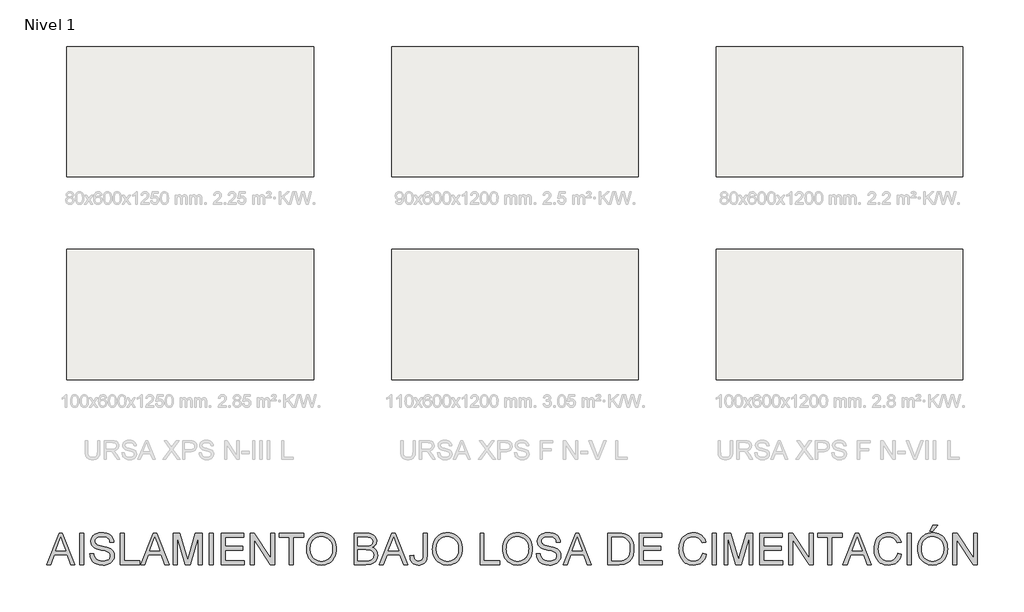
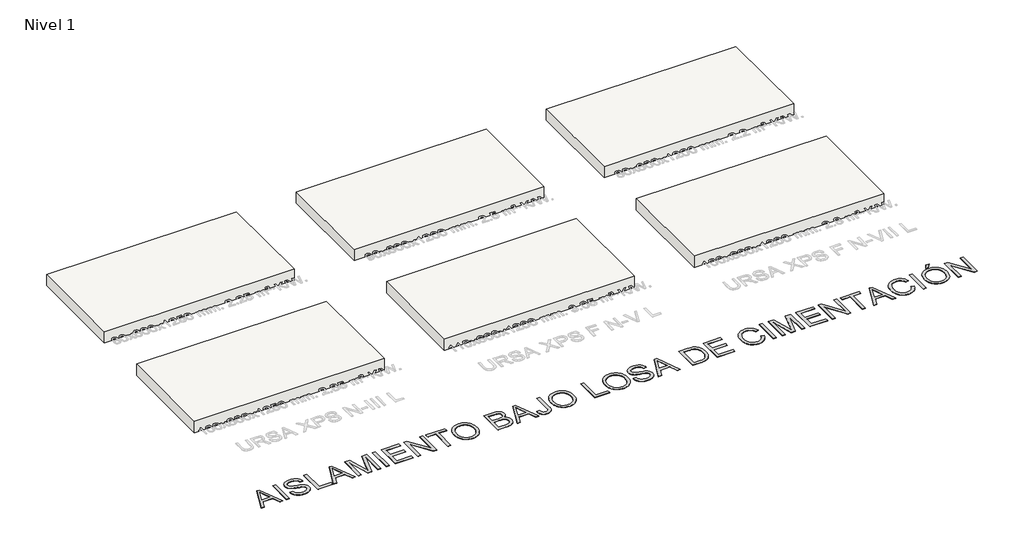
# One storey, part 1 of 10: 6 slabs, 1 proxy.
"""IFC4 building model written with IfcOpenShell, lengths in millimetres."""

from ifc_helpers import new_model, si_unit, frame, origin, origin_with_axes, place, context, project, spatial, polyline, outline, extrude, element, save

model = new_model("IFC4")

# Units and contexts
model_context = context("Model", 3, world=origin())
ifc_project = project(units=[si_unit("LENGTHUNIT", "METRE", prefix="MILLI")], contexts=[model_context])

# Site, building, storey
site = spatial("IfcSite", under=ifc_project)
building = spatial("IfcBuilding", under=site)
storey = spatial("IfcBuildingStorey", under=building, Name="Nivel 1", Elevation=0.0)

# Proxy
placement = place(None, origin())
element("IfcBuildingElementProxy", 1, Name="Texto de modelo 2", ObjectType="Texto de modelo 2", at=placement, inside=storey, context=model_context, shape_type="SweptSolid", body=[
    extrude(outline(polyline([(-30709.7134253, -17648.0311396), (-30308.7220506, -16643.4680381), (-30201.7910173, -16643.4680381), (-29800.7996425, -17648.0311396), (-29933.4824155, -17648.0311396), (-30048.5068526, -17334.1051704), (-30462.2514699, -17334.1051704), (-30577.0306524, -17648.0311396), (-30709.7134253, -17648.0311396)]), holes=[polyline([(-30416.1435931, -17208.5347827), (-30094.3694747, -17208.5347827), (-30184.8684455, -16961.5633366), (-30255.2565339, -16769.0384258), (-30317.7964731, -16939.9809262), (-30416.1435931, -17208.5347827)])]), origin_with_axes(), (0.0, 0.0, 1.0), 10.0),
    extrude(outline(polyline([(-29650.9490432, -17648.0311396), (-29650.9490432, -16643.4680381), (-29525.3786555, -16643.4680381), (-29525.3786555, -17648.0311396), (-29650.9490432, -17648.0311396)])), origin_with_axes(), (0.0, 0.0, 1.0), 10.0),
    extrude(outline(polyline([(-29321.3267755, -17302.7125735), (-29195.7563878, -17302.7125735), (-29190.0082316, -17339.2631825), (-29181.3476763, -17372.3955547), (-29169.7747219, -17402.10969), (-29155.2893683, -17428.4055885), (-29137.1558517, -17451.8120804), (-29114.6384079, -17472.8579962), (-29087.737037, -17491.5433359), (-29056.451739, -17507.8680994), (-29021.9321451, -17521.1195155), (-28985.3278866, -17530.5848126), (-28946.6389634, -17536.2639909), (-28905.8653756, -17538.1570504), (-28835.9064829, -17532.4242226), (-28804.1919892, -17525.2581879), (-28774.6541307, -17515.2257393), (-28748.0210071, -17502.6870947), (-28725.0207182, -17488.0024717), (-28705.6532639, -17471.1718704), (-28689.9186444, -17452.1952908), (-28677.7402176, -17431.8928032), (-28669.0413412, -17411.0844779), (-28663.8220154, -17389.7703148), (-28662.0822401, -17367.9503139), (-28667.2939017, -17325.919796), (-28682.9288865, -17289.591449), (-28696.0806679, -17273.4736191), (-28714.6893655, -17258.5973909), (-28738.7549793, -17244.9627644), (-28768.2775094, -17232.5697397), (-28834.588239, -17212.8573961), (-28951.114861, -17184.622453), (-29071.1363619, -17152.8926309), (-29114.937312, -17137.6025355), (-29147.9317284, -17122.6956505), (-29181.4626395, -17102.692067), (-29210.4410108, -17080.4505347), (-29234.8668424, -17055.9710536), (-29254.7401344, -17029.2536237), (-29270.1375287, -17000.5741565), (-29281.1356675, -16970.2085635), (-29287.7345508, -16938.1568447), (-29289.9341786, -16904.419), (-29287.2133847, -16867.025328), (-29279.0510029, -16830.8732578), (-29265.4470333, -16795.9627893), (-29246.4014758, -16762.2939225), (-29222.1289283, -16731.2385508), (-29192.8439887, -16704.1685673), (-29158.5466568, -16681.0839721), (-29119.2369328, -16661.9847652), (-29076.2407246, -16647.0165665), (-29030.8839403, -16636.324996), (-28983.1665798, -16629.9100537), (-28933.0886433, -16627.7717396), (-28878.458167, -16630.0096884), (-28827.1386286, -16636.7235349), (-28779.1300283, -16647.9132789), (-28734.4323659, -16663.5789205), (-28693.8733759, -16683.582504), (-28658.2807929, -16707.7860736), (-28627.6546168, -16736.1896293), (-28601.9948476, -16768.7931711), (-28581.5007548, -16804.6463372), (-28566.3716077, -16842.7987658), (-28556.6074064, -16883.2504569), (-28552.2081509, -16926.0014104), (-28677.7785386, -16926.0014104), (-28686.1785108, -16885.9329298), (-28700.832477, -16851.0761107), (-28721.740437, -16821.4309533), (-28748.902391, -16796.9974574), (-28782.8241766, -16777.8982505), (-28824.0116317, -16764.2559599), (-28872.4647561, -16756.0705855), (-28928.18355, -16753.3421273), (-28985.6804401, -16756.0399286), (-29034.8080149, -16764.1333325), (-29075.5662743, -16777.622339), (-29107.9552183, -16796.5069481), (-29132.6339688, -16819.2083329), (-29150.2616477, -16844.1476665), (-29160.8382551, -16871.3249489), (-29164.3637909, -16900.7401801), (-29161.865259, -16926.0473956), (-29154.3696634, -16948.9940351), (-29141.8770039, -16969.5800984), (-29124.3872807, -16987.8055856), (-29096.8574448, -17005.0653825), (-29053.508683, -17022.5091205), (-28994.3409955, -17040.1367994), (-28919.3543821, -17057.9484193), (-28780.9081246, -17091.6096219), (-28732.1944171, -17106.8307394), (-28697.153657, -17120.9788678), (-28658.6563391, -17142.4233225), (-28625.5699521, -17166.5349216), (-28597.8944962, -17193.3136651), (-28575.6299713, -17222.7595532), (-28558.5157943, -17254.7193015), (-28546.2913822, -17289.039626), (-28538.9567349, -17325.7205266), (-28536.5118525, -17364.7620033), (-28539.3246169, -17404.0410705), (-28547.7629101, -17442.1705065), (-28561.8267322, -17479.1503112), (-28581.5160832, -17514.9804847), (-28606.4860736, -17548.2738052), (-28636.3918141, -17577.6430512), (-28671.2333048, -17603.0882225), (-28711.0105455, -17624.6093192), (-28754.5662409, -17641.7234962), (-28800.7430955, -17653.9479084), (-28849.5411093, -17661.2825556), (-28900.9602823, -17663.7274381), (-28965.1940115, -17661.0909504), (-29023.9861529, -17653.1814875), (-29077.3367064, -17639.9990494), (-29125.2456721, -17621.5436359), (-29168.0042898, -17597.7845904), (-29205.9037995, -17568.691256), (-29238.9442012, -17534.2636326), (-29267.1254949, -17494.5017203), (-29289.8268797, -17450.693106), (-29306.4275547, -17404.1253768), (-29316.92752, -17354.7985326), (-29321.3267755, -17302.7125735)])), origin_with_axes(), (0.0, 0.0, 1.0), 10.0),
    extrude(outline(polyline([(-28348.1562709, -17648.0311396), (-28348.1562709, -16643.4680381), (-28222.5858832, -16643.4680381), (-28222.5858832, -17522.4607519), (-27720.3043325, -17522.4607519), (-27720.3043325, -17648.0311396), (-28348.1562709, -17648.0311396)])), origin_with_axes(), (0.0, 0.0, 1.0), 10.0),
    extrude(outline(polyline([(-27696.0241208, -17648.0311396), (-27295.0327461, -16643.4680381), (-27188.1017128, -16643.4680381), (-26787.1103381, -17648.0311396), (-26919.793111, -17648.0311396), (-27034.8175481, -17334.1051704), (-27448.5621654, -17334.1051704), (-27563.3413479, -17648.0311396), (-27696.0241208, -17648.0311396)]), holes=[polyline([(-27402.4542887, -17208.5347827), (-27080.6801702, -17208.5347827), (-27171.179141, -16961.5633366), (-27241.5672294, -16769.0384258), (-27304.1071686, -16939.9809262), (-27402.4542887, -17208.5347827)])]), origin_with_axes(), (0.0, 0.0, 1.0), 10.0),
    extrude(outline(polyline([(-26652.9560372, -17648.0311396), (-26652.9560372, -16643.4680381), (-26436.8866786, -16643.4680381), (-26231.3632707, -17351.5182515), (-26189.9152326, -17499.4068135), (-26145.0336291, -17339.2555183), (-25942.9437865, -16643.4680381), (-25726.874428, -16643.4680381), (-25726.874428, -17648.0311396), (-25852.4448156, -17648.0311396), (-25852.4448156, -16769.0384258), (-26104.8118643, -17648.0311396), (-26275.0186008, -17648.0311396), (-26527.3856495, -16769.0384258), (-26527.3856495, -17648.0311396), (-26652.9560372, -17648.0311396)])), origin_with_axes(), (0.0, 0.0, 1.0), 10.0),
    extrude(outline(polyline([(-25491.429951, -17648.0311396), (-25491.429951, -16643.4680381), (-25365.8595634, -16643.4680381), (-25365.8595634, -17648.0311396), (-25491.429951, -17648.0311396)])), origin_with_axes(), (0.0, 0.0, 1.0), 10.0),
    extrude(outline(polyline([(-25114.718788, -17648.0311396), (-25114.718788, -16643.4680381), (-24392.6890588, -16643.4680381), (-24392.6890588, -16769.0384258), (-24989.1484003, -16769.0384258), (-24989.1484003, -17067.2680965), (-24424.0816557, -17067.2680965), (-24424.0816557, -17192.8384842), (-24989.1484003, -17192.8384842), (-24989.1484003, -17522.4607519), (-24376.9927603, -17522.4607519), (-24376.9927603, -17648.0311396), (-25114.718788, -17648.0311396)])), origin_with_axes(), (0.0, 0.0, 1.0), 10.0),
    extrude(outline(polyline([(-24188.6371788, -17648.0311396), (-24188.6371788, -16643.4680381), (-24054.2376232, -16643.4680381), (-23529.3926434, -17439.319421), (-23529.3926434, -16643.4680381), (-23403.8222557, -16643.4680381), (-23403.8222557, -17648.0311396), (-23538.2218113, -17648.0311396), (-24063.0667911, -16851.934502), (-24063.0667911, -17648.0311396), (-24188.6371788, -17648.0311396)])), origin_with_axes(), (0.0, 0.0, 1.0), 10.0),
    extrude(outline(polyline([(-22932.9333019, -17648.0311396), (-22932.9333019, -16769.0384258), (-23262.5555696, -16769.0384258), (-23262.5555696, -16643.4680381), (-22477.7406466, -16643.4680381), (-22477.7406466, -16769.0384258), (-22807.3629142, -16769.0384258), (-22807.3629142, -17648.0311396), (-22932.9333019, -17648.0311396)])), origin_with_axes(), (0.0, 0.0, 1.0), 10.0),
    extrude(outline(polyline([(-22383.5628558, -17158.9933407), (-22381.4705269, -17098.3886141), (-22375.1935404, -17041.1638033), (-22364.7318962, -16987.3189084), (-22350.0855942, -16936.8539293), (-22331.2546346, -16889.768866), (-22308.2390173, -16846.0637185), (-22281.0387423, -16805.7384869), (-22249.6538095, -16768.7931711), (-22214.961771, -16735.7412731), (-22177.8401784, -16707.0962949), (-22138.2890318, -16682.8582363), (-22096.3083312, -16663.0270975), (-22051.8980766, -16647.6028784), (-22005.058268, -16636.5855791), (-21955.7889054, -16629.9751995), (-21904.0899887, -16627.7717396), (-21836.5070005, -16631.9104121), (-21772.3269208, -16644.3264294), (-21711.5497495, -16665.0197917), (-21654.1754867, -16693.9904988), (-21601.813616, -16730.364831), (-21556.0736213, -16773.2690687), (-21516.9555025, -16822.7032118), (-21484.4592596, -16878.6672604), (-21458.9221177, -16939.8889557), (-21440.6813022, -17005.0960394), (-21429.7368128, -17074.2885113), (-21426.0886497, -17147.4663715), (-21429.928418, -17221.6099219), (-21441.447723, -17291.7374273), (-21460.6465646, -17357.8488875), (-21487.5249429, -17419.9443026), (-21521.4467285, -17476.383532), (-21561.7757922, -17525.5264352), (-21608.512134, -17567.3730122), (-21661.6557539, -17601.9232629), (-21719.114323, -17628.9625895), (-21778.7955126, -17648.2763943), (-21840.6993225, -17659.8646771), (-21904.8257527, -17663.7274381), (-21973.589029, -17659.4584741), (-22038.6121716, -17646.6515821), (-22099.8951807, -17625.3067622), (-22157.4380561, -17595.4240143), (-22209.7386131, -17558.1606339), (-22255.2946668, -17514.6739163), (-22294.1062173, -17464.9638617), (-22326.1732645, -17409.0304701), (-22351.2812107, -17349.1193543), (-22369.215458, -17287.4761275), (-22379.9760063, -17224.1007896), (-22383.5628558, -17158.9933407)]), holes=[polyline([(-22257.9924681, -17160.219614), (-22256.4232215, -17203.0127207), (-22251.7154816, -17243.4682438), (-22243.8692484, -17281.5861835), (-22232.8845219, -17317.3665396), (-22218.7613022, -17350.8093122), (-22201.4995892, -17381.9145013), (-22181.099383, -17410.6821069), (-22157.5606834, -17437.112129), (-22131.6537435, -17460.7945325), (-22104.1488162, -17481.3192821), (-22075.0459015, -17498.686378), (-22044.3449994, -17512.89582), (-22012.0461099, -17523.9476083), (-21978.1492329, -17531.8417428), (-21942.6543685, -17536.5782235), (-21905.5615167, -17538.1570504), (-21867.7903825, -17536.5628951), (-21831.7321988, -17531.7804291), (-21797.3869657, -17523.8096526), (-21764.7546831, -17512.6505654), (-21733.835351, -17498.3031676), (-21704.6289695, -17480.7674591), (-21677.1355385, -17460.0434401), (-21651.3550581, -17436.1311104), (-21627.9888032, -17409.287221), (-21607.738049, -17379.768523), (-21590.6027954, -17347.5750164), (-21576.5830425, -17312.706701), (-21565.6787903, -17275.163577), (-21557.8900387, -17234.9456443), (-21553.2167877, -17192.0529029), (-21551.6590374, -17146.4853528), (-21554.3261818, -17089.0191195), (-21562.3276152, -17035.3236766), (-21575.6633376, -16985.3990242), (-21594.3333488, -16939.2451622), (-21618.1307154, -16897.4675631), (-21646.8485036, -16860.6716994), (-21680.4867136, -16828.857571), (-21719.0453452, -16802.025178), (-21761.328782, -16780.7263433), (-21806.1414075, -16765.51289), (-21853.4832218, -16756.384818), (-21903.3542248, -16753.3421273), (-21973.4204164, -16759.2052466), (-22038.4282307, -16776.7946045), (-22069.0352462, -16789.9866229), (-22098.3776674, -16806.110201), (-22153.2687268, -16847.1520361), (-22177.8133537, -16872.5646345), (-22199.0853636, -16901.8974755), (-22217.0847567, -16935.150559), (-22231.8115328, -16972.323885), (-22243.265692, -17013.4174535), (-22251.4472343, -17058.4312645), (-22256.3561596, -17107.365318), (-22257.9924681, -17160.219614)])]), origin_with_axes(), (0.0, 0.0, 1.0), 10.0),
    extrude(outline(polyline([(-20861.0219051, -17648.0311396), (-20861.0219051, -16643.4680381), (-20477.6888661, -16643.4680381), (-20422.0850354, -16645.3151123), (-20372.2600177, -16650.8563348), (-20328.2138129, -16660.0917058), (-20289.9464212, -16673.021225), (-20256.4844881, -16689.7828485), (-20226.8546591, -16710.5145317), (-20201.0569342, -16735.2162749), (-20179.0913134, -16763.8880779), (-20161.5479407, -16794.9127928), (-20149.0169603, -16826.6732717), (-20141.498372, -16859.1695146), (-20138.9921759, -16892.4015215), (-20141.0998332, -16923.0966755), (-20147.4228049, -16952.8874529), (-20157.9610913, -16981.7738537), (-20172.7146921, -17009.755878), (-20191.7295927, -17035.9598059), (-20215.0517784, -17059.5119178), (-20242.6812491, -17080.4122137), (-20274.6180048, -17098.6606935), (-20236.7184951, -17114.8168444), (-20203.4634955, -17135.816775), (-20174.8530062, -17161.6604851), (-20150.8870271, -17192.3479749), (-20131.9487685, -17226.9442109), (-20118.421441, -17264.5141596), (-20110.3050445, -17305.0578212), (-20107.599579, -17348.5751955), (-20109.4466531, -17384.2367564), (-20114.9878757, -17418.6260588), (-20124.2232466, -17451.7431025), (-20137.1527659, -17483.5878878), (-20152.8107433, -17513.003119), (-20170.2314886, -17538.8315007), (-20189.4150019, -17561.073033), (-20210.361283, -17579.7277158), (-20233.5608413, -17595.56197), (-20259.5041861, -17609.3422164), (-20319.6222355, -17630.7406858), (-20392.6774684, -17643.7085262), (-20480.6319221, -17648.0311396), (-20861.0219051, -17648.0311396)]), holes=[polyline([(-20735.4515174, -17051.5717981), (-20506.1384071, -17051.5717981), (-20425.9401321, -17048.8739968), (-20372.2293608, -17040.7805929), (-20347.1444073, -17032.6335395), (-20325.3550633, -17022.1718953), (-20306.8613288, -17009.3956602), (-20291.6632039, -16994.3048342), (-20279.8066737, -16977.0067162), (-20271.3377237, -16957.6086052), (-20266.2563536, -16936.1105011), (-20264.5625636, -16912.5124039), (-20266.1413905, -16889.918318), (-20270.8778712, -16868.7344465), (-20278.7720056, -16848.9607892), (-20289.8237939, -16830.5973463), (-20303.8186381, -16814.3262322), (-20320.5419405, -16800.8295615), (-20339.993701, -16790.1073342), (-20362.1739196, -16782.1595503), (-20426.0627595, -16772.3187069), (-20523.5514882, -16769.0384258), (-20735.4515174, -16769.0384258), (-20735.4515174, -17051.5717981)]), polyline([(-20735.4515174, -17522.4607519), (-20477.9341208, -17522.4607519), (-20421.5255482, -17521.2344786), (-20384.7373487, -17517.5556586), (-20341.4805574, -17506.672483), (-20305.8879744, -17490.2097637), (-20276.9479241, -17466.6346591), (-20253.648731, -17434.4143277), (-20238.2896578, -17394.9896406), (-20233.1699667, -17349.8014688), (-20234.6721515, -17322.6395149), (-20239.1787059, -17297.3169709), (-20246.68963, -17273.8338368), (-20257.2049237, -17252.1901128), (-20271.0848048, -17233.0065996), (-20288.6894911, -17216.9040981), (-20310.0189826, -17203.8826083), (-20335.0732793, -17193.9421302), (-20364.9560272, -17186.5921545), (-20400.7708723, -17181.3421719), (-20490.1968539, -17177.1421858), (-20735.4515174, -17177.1421858), (-20735.4515174, -17522.4607519)])]), origin_with_axes(), (0.0, 0.0, 1.0), 10.0),
    extrude(outline(polyline([(-20051.9267704, -17648.0311396), (-19650.9353956, -16643.4680381), (-19544.0043624, -16643.4680381), (-19143.0129876, -17648.0311396), (-19275.6957605, -17648.0311396), (-19390.7201977, -17334.1051704), (-19804.4648149, -17334.1051704), (-19919.2439974, -17648.0311396), (-20051.9267704, -17648.0311396)]), holes=[polyline([(-19758.3569382, -17208.5347827), (-19436.5828198, -17208.5347827), (-19527.0817906, -16961.5633366), (-19597.469879, -16769.0384258), (-19660.0098182, -16939.9809262), (-19758.3569382, -17208.5347827)])]), origin_with_axes(), (0.0, 0.0, 1.0), 10.0),
    extrude(outline(polyline([(-19071.6438805, -17365.9882766), (-18946.0734929, -17349.8014688), (-18941.6435805, -17399.7261213), (-18933.013682, -17441.0975173), (-18920.1837974, -17473.915657), (-18903.1539268, -17498.1805402), (-18882.184653, -17515.6702634), (-18857.5365594, -17528.1629228), (-18829.2096457, -17535.6585185), (-18797.2039121, -17538.1570504), (-18750.8201239, -17532.4855363), (-18730.1804111, -17525.3961437), (-18711.2421526, -17515.470994), (-18694.5648355, -17503.1009619), (-18680.707947, -17488.676922), (-18669.6714872, -17472.1988743), (-18661.4554559, -17453.6668188), (-18651.2467306, -17402.991074), (-18647.8438221, -17329.2000771), (-18647.8438221, -16643.4680381), (-18522.2734344, -16643.4680381), (-18522.2734344, -17326.9927851), (-18524.1664938, -17386.4593768), (-18529.8456722, -17438.7982548), (-18539.3109693, -17484.0094192), (-18552.5623854, -17522.0928699), (-18569.9294812, -17554.5661202), (-18591.7418178, -17582.9466833), (-18617.9993952, -17607.2345592), (-18648.7022134, -17627.4297479), (-18683.0455305, -17643.3099873), (-18720.2246047, -17654.6530155), (-18760.2394358, -17661.4588324), (-18803.0900241, -17663.7274381), (-18864.9708413, -17659.0446068), (-18919.1567935, -17644.9961131), (-18965.6478807, -17621.581957), (-19004.4441028, -17588.8021384), (-19034.855681, -17546.7792846), (-19056.1928367, -17495.6360231), (-19068.4555699, -17435.3723538), (-19071.6438805, -17365.9882766)])), origin_with_axes(), (0.0, 0.0, 1.0), 10.0),
    extrude(outline(polyline([(-18349.6141513, -17158.9933407), (-18347.5218225, -17098.3886141), (-18341.244836, -17041.1638033), (-18330.7831917, -16987.3189084), (-18316.1368898, -16936.8539293), (-18297.3059302, -16889.768866), (-18274.2903128, -16846.0637185), (-18247.0900378, -16805.7384869), (-18215.7051051, -16768.7931711), (-18181.0130665, -16735.7412731), (-18143.891474, -16707.0962949), (-18104.3403274, -16682.8582363), (-18062.3596268, -16663.0270975), (-18017.9493722, -16647.6028784), (-17971.1095636, -16636.5855791), (-17921.8402009, -16629.9751995), (-17870.1412843, -16627.7717396), (-17802.5582961, -16631.9104121), (-17738.3782164, -16644.3264294), (-17677.6010451, -16665.0197917), (-17620.2267822, -16693.9904988), (-17567.8649116, -16730.364831), (-17522.1249169, -16773.2690687), (-17483.006798, -16822.7032118), (-17450.5105551, -16878.6672604), (-17424.9734133, -16939.8889557), (-17406.7325977, -17005.0960394), (-17395.7881084, -17074.2885113), (-17392.1399452, -17147.4663715), (-17395.9797136, -17221.6099219), (-17407.4990185, -17291.7374273), (-17426.6978602, -17357.8488875), (-17453.5762384, -17419.9443026), (-17487.4980241, -17476.383532), (-17527.8270878, -17525.5264352), (-17574.5634296, -17567.3730122), (-17627.7070495, -17601.9232629), (-17685.1656186, -17628.9625895), (-17744.8468081, -17648.2763943), (-17806.750618, -17659.8646771), (-17870.8770483, -17663.7274381), (-17939.6403246, -17659.4584741), (-18004.6634672, -17646.6515821), (-18065.9464762, -17625.3067622), (-18123.4893516, -17595.4240143), (-18175.7899086, -17558.1606339), (-18221.3459624, -17514.6739163), (-18260.1575129, -17464.9638617), (-18292.2245601, -17409.0304701), (-18317.3325063, -17349.1193543), (-18335.2667535, -17287.4761275), (-18346.0273019, -17224.1007896), (-18349.6141513, -17158.9933407)]), holes=[polyline([(-18224.0437637, -17160.219614), (-18222.474517, -17203.0127207), (-18217.7667771, -17243.4682438), (-18209.9205439, -17281.5861835), (-18198.9358175, -17317.3665396), (-18184.8125978, -17350.8093122), (-18167.5508848, -17381.9145013), (-18147.1506785, -17410.6821069), (-18123.611979, -17437.112129), (-18097.7050391, -17460.7945325), (-18070.2001118, -17481.3192821), (-18041.0971971, -17498.686378), (-18010.396295, -17512.89582), (-17978.0974054, -17523.9476083), (-17944.2005285, -17531.8417428), (-17908.7056641, -17536.5782235), (-17871.6128123, -17538.1570504), (-17833.8416781, -17536.5628951), (-17797.7834944, -17531.7804291), (-17763.4382612, -17523.8096526), (-17730.8059786, -17512.6505654), (-17699.8866466, -17498.3031676), (-17670.680265, -17480.7674591), (-17643.1868341, -17460.0434401), (-17617.4063536, -17436.1311104), (-17594.0400988, -17409.287221), (-17573.7893446, -17379.768523), (-17556.654091, -17347.5750164), (-17542.6343381, -17312.706701), (-17531.7300858, -17275.163577), (-17523.9413342, -17234.9456443), (-17519.2680832, -17192.0529029), (-17517.7103329, -17146.4853528), (-17520.3774774, -17089.0191195), (-17528.3789108, -17035.3236766), (-17541.7146331, -16985.3990242), (-17560.3846444, -16939.2451622), (-17584.1820109, -16897.4675631), (-17612.8997992, -16860.6716994), (-17646.5380091, -16828.857571), (-17685.0966407, -16802.025178), (-17727.3800775, -16780.7263433), (-17772.1927031, -16765.51289), (-17819.5345173, -16756.384818), (-17869.4055203, -16753.3421273), (-17939.471712, -16759.2052466), (-18004.4795262, -16776.7946045), (-18035.0865418, -16789.9866229), (-18064.428963, -16806.110201), (-18119.3200224, -16847.1520361), (-18143.8646492, -16872.5646345), (-18165.1366592, -16901.8974755), (-18183.1360522, -16935.150559), (-18197.8628283, -16972.323885), (-18209.3169875, -17013.4174535), (-18217.4985298, -17058.4312645), (-18222.4074552, -17107.365318), (-18224.0437637, -17160.219614)])]), origin_with_axes(), (0.0, 0.0, 1.0), 10.0),
    extrude(outline(polyline([(-16827.0732006, -17648.0311396), (-16827.0732006, -16643.4680381), (-16701.502813, -16643.4680381), (-16701.502813, -17522.4607519), (-16199.2212622, -17522.4607519), (-16199.2212622, -17648.0311396), (-16827.0732006, -17648.0311396)])), origin_with_axes(), (0.0, 0.0, 1.0), 10.0),
    extrude(outline(polyline([(-16105.0434714, -17158.9933407), (-16102.9511426, -17098.3886141), (-16096.6741561, -17041.1638033), (-16086.2125118, -16987.3189084), (-16071.5662099, -16936.8539293), (-16052.7352503, -16889.768866), (-16029.7196329, -16846.0637185), (-16002.5193579, -16805.7384869), (-15971.1344252, -16768.7931711), (-15936.4423866, -16735.7412731), (-15899.3207941, -16707.0962949), (-15859.7696475, -16682.8582363), (-15817.7889469, -16663.0270975), (-15773.3786923, -16647.6028784), (-15726.5388837, -16636.5855791), (-15677.269521, -16629.9751995), (-15625.5706044, -16627.7717396), (-15557.9876162, -16631.9104121), (-15493.8075365, -16644.3264294), (-15433.0303652, -16665.0197917), (-15375.6561023, -16693.9904988), (-15323.2942317, -16730.364831), (-15277.554237, -16773.2690687), (-15238.4361181, -16822.7032118), (-15205.9398752, -16878.6672604), (-15180.4027334, -16939.8889557), (-15162.1619178, -17005.0960394), (-15151.2174284, -17074.2885113), (-15147.5692653, -17147.4663715), (-15151.4090337, -17221.6099219), (-15162.9283386, -17291.7374273), (-15182.1271802, -17357.8488875), (-15209.0055585, -17419.9443026), (-15242.9273442, -17476.383532), (-15283.2564079, -17525.5264352), (-15329.9927497, -17567.3730122), (-15383.1363696, -17601.9232629), (-15440.5949387, -17628.9625895), (-15500.2761282, -17648.2763943), (-15562.1799381, -17659.8646771), (-15626.3063684, -17663.7274381), (-15695.0696446, -17659.4584741), (-15760.0927873, -17646.6515821), (-15821.3757963, -17625.3067622), (-15878.9186717, -17595.4240143), (-15931.2192287, -17558.1606339), (-15976.7752825, -17514.6739163), (-16015.5868329, -17464.9638617), (-16047.6538802, -17409.0304701), (-16072.7618264, -17349.1193543), (-16090.6960736, -17287.4761275), (-16101.456622, -17224.1007896), (-16105.0434714, -17158.9933407)]), holes=[polyline([(-15979.4730838, -17160.219614), (-15977.9038371, -17203.0127207), (-15973.1960972, -17243.4682438), (-15965.349864, -17281.5861835), (-15954.3651376, -17317.3665396), (-15940.2419179, -17350.8093122), (-15922.9802049, -17381.9145013), (-15902.5799986, -17410.6821069), (-15879.0412991, -17437.112129), (-15853.1343592, -17460.7945325), (-15825.6294319, -17481.3192821), (-15796.5265172, -17498.686378), (-15765.8256151, -17512.89582), (-15733.5267255, -17523.9476083), (-15699.6298485, -17531.8417428), (-15664.1349842, -17536.5782235), (-15627.0421324, -17538.1570504), (-15589.2709982, -17536.5628951), (-15553.2128145, -17531.7804291), (-15518.8675813, -17523.8096526), (-15486.2352987, -17512.6505654), (-15455.3159667, -17498.3031676), (-15426.1095851, -17480.7674591), (-15398.6161542, -17460.0434401), (-15372.8356737, -17436.1311104), (-15349.4694189, -17409.287221), (-15329.2186647, -17379.768523), (-15312.0834111, -17347.5750164), (-15298.0636582, -17312.706701), (-15287.1594059, -17275.163577), (-15279.3706543, -17234.9456443), (-15274.6974033, -17192.0529029), (-15273.139653, -17146.4853528), (-15275.8067975, -17089.0191195), (-15283.8082309, -17035.3236766), (-15297.1439532, -16985.3990242), (-15315.8139645, -16939.2451622), (-15339.611331, -16897.4675631), (-15368.3291193, -16860.6716994), (-15401.9673292, -16828.857571), (-15440.5259608, -16802.025178), (-15482.8093976, -16780.7263433), (-15527.6220232, -16765.51289), (-15574.9638374, -16756.384818), (-15624.8348404, -16753.3421273), (-15694.9010321, -16759.2052466), (-15759.9088463, -16776.7946045), (-15790.5158619, -16789.9866229), (-15819.8582831, -16806.110201), (-15874.7493425, -16847.1520361), (-15899.2939693, -16872.5646345), (-15920.5659793, -16901.8974755), (-15938.5653723, -16935.150559), (-15953.2921484, -16972.323885), (-15964.7463076, -17013.4174535), (-15972.9278499, -17058.4312645), (-15977.8367753, -17107.365318), (-15979.4730838, -17160.219614)])]), origin_with_axes(), (0.0, 0.0, 1.0), 10.0),
    extrude(outline(polyline([(-15021.9988776, -17302.7125735), (-14896.42849, -17302.7125735), (-14890.6803338, -17339.2631825), (-14882.0197785, -17372.3955547), (-14870.446824, -17402.10969), (-14855.9614705, -17428.4055885), (-14837.8279538, -17451.8120804), (-14815.31051, -17472.8579962), (-14788.4091391, -17491.5433359), (-14757.1238411, -17507.8680994), (-14722.6042472, -17521.1195155), (-14685.9999887, -17530.5848126), (-14647.3110656, -17536.2639909), (-14606.5374778, -17538.1570504), (-14536.578585, -17532.4242226), (-14504.8640913, -17525.2581879), (-14475.3262328, -17515.2257393), (-14448.6931092, -17502.6870947), (-14425.6928203, -17488.0024717), (-14406.3253661, -17471.1718704), (-14390.5907466, -17452.1952908), (-14378.4123197, -17431.8928032), (-14369.7134434, -17411.0844779), (-14364.4941176, -17389.7703148), (-14362.7543423, -17367.9503139), (-14367.9660039, -17325.919796), (-14383.6009887, -17289.591449), (-14396.75277, -17273.4736191), (-14415.3614676, -17258.5973909), (-14439.4270814, -17244.9627644), (-14468.9496116, -17232.5697397), (-14535.2603412, -17212.8573961), (-14651.7869632, -17184.622453), (-14771.8084641, -17152.8926309), (-14815.6094141, -17137.6025355), (-14848.6038306, -17122.6956505), (-14882.1347416, -17102.692067), (-14911.1131129, -17080.4505347), (-14935.5389446, -17055.9710536), (-14955.4122365, -17029.2536237), (-14970.8096309, -17000.5741565), (-14981.8077697, -16970.2085635), (-14988.406653, -16938.1568447), (-14990.6062807, -16904.419), (-14987.8854868, -16867.025328), (-14979.723105, -16830.8732578), (-14966.1191354, -16795.9627893), (-14947.073578, -16762.2939225), (-14922.8010305, -16731.2385508), (-14893.5160908, -16704.1685673), (-14859.218759, -16681.0839721), (-14819.909035, -16661.9847652), (-14776.9128268, -16647.0165665), (-14731.5560424, -16636.324996), (-14683.838682, -16629.9100537), (-14633.7607454, -16627.7717396), (-14579.1302691, -16630.0096884), (-14527.8107308, -16636.7235349), (-14479.8021304, -16647.9132789), (-14435.104468, -16663.5789205), (-14394.545478, -16683.582504), (-14358.952895, -16707.7860736), (-14328.3267189, -16736.1896293), (-14302.6669497, -16768.7931711), (-14282.1728569, -16804.6463372), (-14267.0437099, -16842.7987658), (-14257.2795086, -16883.2504569), (-14252.8802531, -16926.0014104), (-14378.4506407, -16926.0014104), (-14386.850613, -16885.9329298), (-14401.5045791, -16851.0761107), (-14422.4125392, -16821.4309533), (-14449.5744931, -16796.9974574), (-14483.4962788, -16777.8982505), (-14524.6837338, -16764.2559599), (-14573.1368583, -16756.0705855), (-14628.8556521, -16753.3421273), (-14686.3525423, -16756.0399286), (-14735.4801171, -16764.1333325), (-14776.2383764, -16777.622339), (-14808.6273204, -16796.5069481), (-14833.3060709, -16819.2083329), (-14850.9337499, -16844.1476665), (-14861.5103572, -16871.3249489), (-14865.035893, -16900.7401801), (-14862.5373611, -16926.0473956), (-14855.0417655, -16948.9940351), (-14842.5491061, -16969.5800984), (-14825.0593829, -16987.8055856), (-14797.5295469, -17005.0653825), (-14754.1807852, -17022.5091205), (-14695.0130976, -17040.1367994), (-14620.0264842, -17057.9484193), (-14481.5802267, -17091.6096219), (-14432.8665192, -17106.8307394), (-14397.8257592, -17120.9788678), (-14359.3284412, -17142.4233225), (-14326.2420543, -17166.5349216), (-14298.5665983, -17193.3136651), (-14276.3020734, -17222.7595532), (-14259.1878964, -17254.7193015), (-14246.9634843, -17289.039626), (-14239.628837, -17325.7205266), (-14237.1839546, -17364.7620033), (-14239.996719, -17404.0410705), (-14248.4350123, -17442.1705065), (-14262.4988344, -17479.1503112), (-14282.1881853, -17514.9804847), (-14307.1581758, -17548.2738052), (-14337.0639163, -17577.6430512), (-14371.9054069, -17603.0882225), (-14411.6826476, -17624.6093192), (-14455.238343, -17641.7234962), (-14501.4151976, -17653.9479084), (-14550.2132115, -17661.2825556), (-14601.6323845, -17663.7274381), (-14665.8661137, -17661.0909504), (-14724.658255, -17653.1814875), (-14778.0088085, -17639.9990494), (-14825.9177742, -17621.5436359), (-14868.6763919, -17597.7845904), (-14906.5759017, -17568.691256), (-14939.6163033, -17534.2636326), (-14967.797597, -17494.5017203), (-14990.4989818, -17450.693106), (-15007.0996568, -17404.1253768), (-15017.5996221, -17354.7985326), (-15021.9988776, -17302.7125735)])), origin_with_axes(), (0.0, 0.0, 1.0), 10.0),
    extrude(outline(polyline([(-14165.8148475, -17648.0311396), (-13764.8234728, -16643.4680381), (-13657.8924395, -16643.4680381), (-13256.9010648, -17648.0311396), (-13389.5838377, -17648.0311396), (-13504.6082749, -17334.1051704), (-13918.3528921, -17334.1051704), (-14033.1320746, -17648.0311396), (-14165.8148475, -17648.0311396)]), holes=[polyline([(-13872.2450154, -17208.5347827), (-13550.4708969, -17208.5347827), (-13640.9698677, -16961.5633366), (-13711.3579562, -16769.0384258), (-13773.8978953, -16939.9809262), (-13872.2450154, -17208.5347827)])]), origin_with_axes(), (0.0, 0.0, 1.0), 10.0),
    extrude(outline(polyline([(-12730.3393024, -17648.0311396), (-12730.3393024, -16643.4680381), (-12383.7944629, -16643.4680381), (-12280.2356813, -16647.0855444), (-12204.5133039, -16657.9380632), (-12162.9119816, -16669.8788997), (-12124.4376563, -16685.8357812), (-12089.0903279, -16705.8087079), (-12056.8699965, -16729.7976796), (-12019.6372729, -16765.7274878), (-11987.4016131, -16806.3171346), (-11960.163017, -16851.56662), (-11937.9214847, -16901.4759441), (-11920.6463594, -16955.5852542), (-11908.3069841, -17013.4346979), (-11900.903359, -17075.0242753), (-11898.4354839, -17140.3539863), (-11900.1062813, -17195.8811749), (-11905.1186735, -17248.1740677), (-11913.4726605, -17297.2326646), (-11925.1682422, -17343.0569656), (-11955.7024478, -17423.8377204), (-11973.8206361, -17458.5029342), (-11993.839548, -17489.3513723), (-12037.7401328, -17541.0694495), (-12085.5647921, -17580.4634798), (-12140.4711799, -17609.6794416), (-12205.6169499, -17630.8633132), (-12281.1247294, -17643.739183), (-12367.1171458, -17648.0311396), (-12730.3393024, -17648.0311396)]), holes=[polyline([(-12604.7689147, -17522.4607519), (-12382.5681896, -17522.4607519), (-12290.6590045, -17517.9235406), (-12253.027742, -17512.2520265), (-12220.9453664, -17504.3119068), (-12168.3382411, -17482.4229281), (-12146.5412328, -17468.6733385), (-12127.7485943, -17453.0536822), (-12104.5796928, -17427.8767581), (-12084.123921, -17398.6991174), (-12066.3812789, -17365.5207599), (-12051.3517666, -17328.3416858), (-12039.3879375, -17287.0852529), (-12030.8423454, -17241.6748191), (-12025.71499, -17192.1103845), (-12024.0058716, -17138.3919489), (-12027.3551306, -17065.4900002), (-12037.4029076, -17001.5398467), (-12054.1492026, -16946.5414885), (-12077.5940156, -16900.4949254), (-12105.8366229, -16862.3578252), (-12136.976301, -16831.0878556), (-12171.0130497, -16806.6850166), (-12207.9468692, -16789.1493082), (-12239.8606323, -16780.3507971), (-12280.1743676, -16774.0661464), (-12386.0017549, -16769.0384258), (-12604.7689147, -16769.0384258), (-12604.7689147, -17522.4607519)])]), origin_with_axes(), (0.0, 0.0, 1.0), 10.0),
    extrude(outline(polyline([(-11725.7762009, -17648.0311396), (-11725.7762009, -16643.4680381), (-11003.7464717, -16643.4680381), (-11003.7464717, -16769.0384258), (-11600.2058132, -16769.0384258), (-11600.2058132, -17067.2680965), (-11035.1390686, -17067.2680965), (-11035.1390686, -17192.8384842), (-11600.2058132, -17192.8384842), (-11600.2058132, -17522.4607519), (-10988.0501732, -17522.4607519), (-10988.0501732, -17648.0311396), (-11725.7762009, -17648.0311396)])), origin_with_axes(), (0.0, 0.0, 1.0), 10.0),
    extrude(outline(polyline([(-9700.9536994, -17290.9403496), (-9575.3833117, -17323.3139652), (-9600.2306748, -17401.4045829), (-9633.324726, -17469.6390288), (-9674.6654652, -17528.0173029), (-9698.4283428, -17553.5103755), (-9724.2528924, -17576.5394052), (-9780.9680334, -17614.6841696), (-9843.6919135, -17641.9304298), (-9912.424533, -17658.278186), (-9987.1658917, -17663.7274381), (-10063.7389961, -17659.604094), (-10132.8165049, -17647.2340619), (-10194.3984181, -17626.6173418), (-10248.4847356, -17597.7539336), (-10295.8188856, -17561.073033), (-10337.1442964, -17517.0038357), (-10372.4609679, -17465.5463416), (-10401.7689002, -17406.7005508), (-10424.7845175, -17343.0109803), (-10441.2242442, -17277.0221475), (-10451.0880802, -17208.7340521), (-10454.3760255, -17138.1466943), (-10450.6588845, -17062.4089885), (-10439.5074616, -16991.6683465), (-10420.9217566, -16925.9247683), (-10394.9017696, -16865.1782539), (-10362.0299805, -16810.4328145), (-10322.8888691, -16762.6924614), (-10277.4784353, -16721.9571946), (-10225.7986792, -16688.2270142), (-10169.6047044, -16661.7778316), (-10110.6516147, -16642.8855583), (-10048.93941, -16631.5501943), (-9984.4680904, -16627.7717396), (-9912.646795, -16632.6615045), (-9846.7882537, -16647.3307991), (-9786.8924663, -16671.7796233), (-9732.959433, -16706.0079773), (-9685.8782018, -16749.1114844), (-9646.537821, -16800.185768), (-9614.9382904, -16859.2308283), (-9591.0796102, -16926.2466651), (-9716.6499979, -16956.167734), (-9736.4236551, -16906.7872404), (-9760.1827006, -16864.595774), (-9787.9271344, -16829.593335), (-9819.6569565, -16801.7799234), (-9855.5561079, -16780.5883876), (-9895.8085295, -16765.4515763), (-9940.4142214, -16756.3694896), (-9989.3731836, -16753.3421273), (-10045.7051141, -16756.6990505), (-10097.2239219, -16766.7698202), (-10143.9296068, -16783.5544362), (-10185.822169, -16807.0528986), (-10222.3727781, -16836.2075467), (-10253.0526037, -16869.9607198), (-10277.8616457, -16908.3124178), (-10296.7999043, -16951.2626407), (-10310.8024127, -16996.8646797), (-10320.8042044, -17043.1718259), (-10326.8052795, -17090.1840792), (-10328.8056378, -17137.9014396), (-10326.4373975, -17197.8662048), (-10319.3326765, -17253.9068954), (-10307.4914747, -17306.0235114), (-10290.9137923, -17354.2160528), (-10269.331382, -17397.5264935), (-10242.4759963, -17434.9968076), (-10210.3476354, -17466.6269949), (-10172.9462992, -17492.4170556), (-10132.0884051, -17512.4283033), (-10089.5903705, -17526.7220517), (-10045.4521953, -17535.2983007), (-9999.6738795, -17538.1570504), (-9945.0817242, -17534.2636326), (-9894.8581677, -17522.5833792), (-9849.0032098, -17503.1162903), (-9807.5168507, -17475.8623659), (-9771.3801089, -17440.9442331), (-9741.574003, -17398.4845195), (-9718.0985332, -17348.483225), (-9700.9536994, -17290.9403496)])), origin_with_axes(), (0.0, 0.0, 1.0), 10.0),
    extrude(outline(polyline([(-9387.0277302, -17648.0311396), (-9387.0277302, -16643.4680381), (-9261.4573425, -16643.4680381), (-9261.4573425, -17648.0311396), (-9387.0277302, -17648.0311396)])), origin_with_axes(), (0.0, 0.0, 1.0), 10.0),
    extrude(outline(polyline([(-9010.3165671, -17648.0311396), (-9010.3165671, -16643.4680381), (-8794.2472086, -16643.4680381), (-8588.7238007, -17351.5182515), (-8547.2757625, -17499.4068135), (-8502.3941591, -17339.2555183), (-8300.3043164, -16643.4680381), (-8084.2349579, -16643.4680381), (-8084.2349579, -17648.0311396), (-8209.8053456, -17648.0311396), (-8209.8053456, -16769.0384258), (-8462.1723943, -17648.0311396), (-8632.3791307, -17648.0311396), (-8884.7461794, -16769.0384258), (-8884.7461794, -17648.0311396), (-9010.3165671, -17648.0311396)])), origin_with_axes(), (0.0, 0.0, 1.0), 10.0),
    extrude(outline(polyline([(-7864.4867795, -17648.0311396), (-7864.4867795, -16643.4680381), (-7142.4570503, -16643.4680381), (-7142.4570503, -16769.0384258), (-7738.9163918, -16769.0384258), (-7738.9163918, -17067.2680965), (-7173.8496472, -17067.2680965), (-7173.8496472, -17192.8384842), (-7738.9163918, -17192.8384842), (-7738.9163918, -17522.4607519), (-7126.7607518, -17522.4607519), (-7126.7607518, -17648.0311396), (-7864.4867795, -17648.0311396)])), origin_with_axes(), (0.0, 0.0, 1.0), 10.0),
    extrude(outline(polyline([(-6938.4051703, -17648.0311396), (-6938.4051703, -16643.4680381), (-6804.0056147, -16643.4680381), (-6279.1606349, -17439.319421), (-6279.1606349, -16643.4680381), (-6153.5902472, -16643.4680381), (-6153.5902472, -17648.0311396), (-6287.9898028, -17648.0311396), (-6812.8347826, -16851.934502), (-6812.8347826, -17648.0311396), (-6938.4051703, -17648.0311396)])), origin_with_axes(), (0.0, 0.0, 1.0), 10.0),
    extrude(outline(polyline([(-5682.7012934, -17648.0311396), (-5682.7012934, -16769.0384258), (-6012.3235611, -16769.0384258), (-6012.3235611, -16643.4680381), (-5227.5086381, -16643.4680381), (-5227.5086381, -16769.0384258), (-5557.1309057, -16769.0384258), (-5557.1309057, -17648.0311396), (-5682.7012934, -17648.0311396)])), origin_with_axes(), (0.0, 0.0, 1.0), 10.0),
    extrude(outline(polyline([(-5203.2284264, -17648.0311396), (-4802.2370516, -16643.4680381), (-4695.3060184, -16643.4680381), (-4294.3146436, -17648.0311396), (-4426.9974165, -17648.0311396), (-4542.0218537, -17334.1051704), (-4955.7664709, -17334.1051704), (-5070.5456534, -17648.0311396), (-5203.2284264, -17648.0311396)]), holes=[polyline([(-4909.6585942, -17208.5347827), (-4587.8844758, -17208.5347827), (-4678.3834466, -16961.5633366), (-4748.771535, -16769.0384258), (-4811.3114742, -16939.9809262), (-4909.6585942, -17208.5347827)])]), origin_with_axes(), (0.0, 0.0, 1.0), 10.0),
    extrude(outline(polyline([(-3453.826912, -17290.9403496), (-3328.2565243, -17323.3139652), (-3353.1038874, -17401.4045829), (-3386.1979385, -17469.6390288), (-3427.5386777, -17528.0173029), (-3451.3015554, -17553.5103755), (-3477.126105, -17576.5394052), (-3533.8412459, -17614.6841696), (-3596.5651261, -17641.9304298), (-3665.2977455, -17658.278186), (-3740.0391042, -17663.7274381), (-3816.6122087, -17659.604094), (-3885.6897175, -17647.2340619), (-3947.2716306, -17626.6173418), (-4001.3579481, -17597.7539336), (-4048.6920982, -17561.073033), (-4090.017509, -17517.0038357), (-4125.3341805, -17465.5463416), (-4154.6421128, -17406.7005508), (-4177.6577301, -17343.0109803), (-4194.0974568, -17277.0221475), (-4203.9612928, -17208.7340521), (-4207.2492381, -17138.1466943), (-4203.5320971, -17062.4089885), (-4192.3806741, -16991.6683465), (-4173.7949692, -16925.9247683), (-4147.7749822, -16865.1782539), (-4114.9031931, -16810.4328145), (-4075.7620817, -16762.6924614), (-4030.3516479, -16721.9571946), (-3978.6718918, -16688.2270142), (-3922.477917, -16661.7778316), (-3863.5248273, -16642.8855583), (-3801.8126226, -16631.5501943), (-3737.3413029, -16627.7717396), (-3665.5200076, -16632.6615045), (-3599.6614662, -16647.3307991), (-3539.7656789, -16671.7796233), (-3485.8326456, -16706.0079773), (-3438.7514144, -16749.1114844), (-3399.4110335, -16800.185768), (-3367.811503, -16859.2308283), (-3343.9528227, -16926.2466651), (-3469.5232104, -16956.167734), (-3489.2968677, -16906.7872404), (-3513.0559132, -16864.595774), (-3540.800347, -16829.593335), (-3572.5301691, -16801.7799234), (-3608.4293204, -16780.5883876), (-3648.6817421, -16765.4515763), (-3693.287434, -16756.3694896), (-3742.2463962, -16753.3421273), (-3798.5783267, -16756.6990505), (-3850.0971344, -16766.7698202), (-3896.8028194, -16783.5544362), (-3938.6953816, -16807.0528986), (-3975.2459907, -16836.2075467), (-4005.9258162, -16869.9607198), (-4030.7348583, -16908.3124178), (-4049.6731168, -16951.2626407), (-4063.6756253, -16996.8646797), (-4073.677417, -17043.1718259), (-4079.6784921, -17090.1840792), (-4081.6788504, -17137.9014396), (-4079.3106101, -17197.8662048), (-4072.205889, -17253.9068954), (-4060.3646873, -17306.0235114), (-4043.7870049, -17354.2160528), (-4022.2045945, -17397.5264935), (-3995.3492089, -17434.9968076), (-3963.220848, -17466.6269949), (-3925.8195118, -17492.4170556), (-3884.9616177, -17512.4283033), (-3842.463583, -17526.7220517), (-3798.3254078, -17535.2983007), (-3752.5470921, -17538.1570504), (-3697.9549368, -17534.2636326), (-3647.7313803, -17522.5833792), (-3601.8764224, -17503.1162903), (-3560.3900632, -17475.8623659), (-3524.2533214, -17440.9442331), (-3494.4472156, -17398.4845195), (-3470.9717458, -17348.483225), (-3453.826912, -17290.9403496)])), origin_with_axes(), (0.0, 0.0, 1.0), 10.0),
    extrude(outline(polyline([(-3139.9009428, -17648.0311396), (-3139.9009428, -16643.4680381), (-3014.3305551, -16643.4680381), (-3014.3305551, -17648.0311396), (-3139.9009428, -17648.0311396)])), origin_with_axes(), (0.0, 0.0, 1.0), 10.0),
    extrude(outline(polyline([(-2810.2786751, -17158.9933407), (-2808.1863462, -17098.3886141), (-2801.9093597, -17041.1638033), (-2791.4477155, -16987.3189084), (-2776.8014135, -16936.8539293), (-2757.9704539, -16889.768866), (-2734.9548366, -16846.0637185), (-2707.7545615, -16805.7384869), (-2676.3696288, -16768.7931711), (-2641.6775903, -16735.7412731), (-2604.5559977, -16707.0962949), (-2565.0048511, -16682.8582363), (-2523.0241505, -16663.0270975), (-2478.6138959, -16647.6028784), (-2431.7740873, -16636.5855791), (-2382.5047247, -16629.9751995), (-2330.805808, -16627.7717396), (-2263.2228198, -16631.9104121), (-2199.0427401, -16644.3264294), (-2138.2655688, -16665.0197917), (-2080.891306, -16693.9904988), (-2028.5294353, -16730.364831), (-1982.7894406, -16773.2690687), (-1943.6713218, -16822.7032118), (-1911.1750789, -16878.6672604), (-1885.637937, -16939.8889557), (-1867.3971214, -17005.0960394), (-1856.4526321, -17074.2885113), (-1852.804469, -17147.4663715), (-1856.6442373, -17221.6099219), (-1868.1635423, -17291.7374273), (-1887.3623839, -17357.8488875), (-1914.2407622, -17419.9443026), (-1948.1625478, -17476.383532), (-1988.4916115, -17525.5264352), (-2035.2279533, -17567.3730122), (-2088.3715732, -17601.9232629), (-2145.8301423, -17628.9625895), (-2205.5113318, -17648.2763943), (-2267.4151417, -17659.8646771), (-2331.541572, -17663.7274381), (-2400.3048483, -17659.4584741), (-2465.3279909, -17646.6515821), (-2526.611, -17625.3067622), (-2584.1538754, -17595.4240143), (-2636.4544324, -17558.1606339), (-2682.0104861, -17514.6739163), (-2720.8220366, -17464.9638617), (-2752.8890838, -17409.0304701), (-2777.99703, -17349.1193543), (-2795.9312773, -17287.4761275), (-2806.6918256, -17224.1007896), (-2810.2786751, -17158.9933407)]), holes=[polyline([(-2684.7082874, -17160.219614), (-2683.1390408, -17203.0127207), (-2678.4313008, -17243.4682438), (-2670.5850677, -17281.5861835), (-2659.6003412, -17317.3665396), (-2645.4771215, -17350.8093122), (-2628.2154085, -17381.9145013), (-2607.8152022, -17410.6821069), (-2584.2765027, -17437.112129), (-2558.3695628, -17460.7945325), (-2530.8646355, -17481.3192821), (-2501.7617208, -17498.686378), (-2471.0608187, -17512.89582), (-2438.7619291, -17523.9476083), (-2404.8650522, -17531.8417428), (-2369.3701878, -17536.5782235), (-2332.277336, -17538.1570504), (-2294.5062018, -17536.5628951), (-2258.4480181, -17531.7804291), (-2224.102785, -17523.8096526), (-2191.4705024, -17512.6505654), (-2160.5511703, -17498.3031676), (-2131.3447888, -17480.7674591), (-2103.8513578, -17460.0434401), (-2078.0708773, -17436.1311104), (-2054.7046225, -17409.287221), (-2034.4538683, -17379.768523), (-2017.3186147, -17347.5750164), (-2003.2988618, -17312.706701), (-1992.3946096, -17275.163577), (-1984.6058579, -17234.9456443), (-1979.932607, -17192.0529029), (-1978.3748567, -17146.4853528), (-1981.0420011, -17089.0191195), (-1989.0434345, -17035.3236766), (-2002.3791568, -16985.3990242), (-2021.0491681, -16939.2451622), (-2044.8465347, -16897.4675631), (-2073.5643229, -16860.6716994), (-2107.2025328, -16828.857571), (-2145.7611645, -16802.025178), (-2188.0446013, -16780.7263433), (-2232.8572268, -16765.51289), (-2280.1990411, -16756.384818), (-2330.070044, -16753.3421273), (-2400.1362357, -16759.2052466), (-2465.1440499, -16776.7946045), (-2495.7510655, -16789.9866229), (-2525.0934867, -16806.110201), (-2579.9845461, -16847.1520361), (-2604.529173, -16872.5646345), (-2625.8011829, -16901.8974755), (-2643.8005759, -16935.150559), (-2658.5273521, -16972.323885), (-2669.9815113, -17013.4174535), (-2678.1630536, -17058.4312645), (-2683.0719789, -17107.365318), (-2684.7082874, -17160.219614)])]), origin_with_axes(), (0.0, 0.0, 1.0), 10.0),
    extrude(outline(polyline([(-2417.8712136, -16580.6828443), (-2323.6934228, -16392.3272627), (-2166.7304382, -16392.3272627), (-2323.6934228, -16580.6828443), (-2417.8712136, -16580.6828443)])), origin_with_axes(), (0.0, 0.0, 1.0), 10.0),
    extrude(outline(polyline([(-1680.1451859, -17648.0311396), (-1680.1451859, -16643.4680381), (-1545.7456303, -16643.4680381), (-1020.9006505, -17439.319421), (-1020.9006505, -16643.4680381), (-895.3302629, -16643.4680381), (-895.3302629, -17648.0311396), (-1029.7298184, -17648.0311396), (-1554.5747982, -16851.934502), (-1554.5747982, -17648.0311396), (-1680.1451859, -17648.0311396)])), origin_with_axes(), (0.0, 0.0, 1.0), 10.0),
])

# Slabs
element("IfcSlab", 2, at=placement, inside=storey, context=model_context, shape_type="SweptSolid", body=[
    extrude(outline(polyline([(-11758.7268241, -7556.6178929), (-11758.7268241, -11723.4327774), (-19658.7268241, -11723.4327774), (-19658.7268241, -7556.6178929), (-11758.7268241, -7556.6178929)])), frame((0.0, 0.0, -510.0), z_axis=(0.0, 0.0, 1.0), x_axis=(1.0, 0.0, 0.0)), (0.0, 0.0, 1.0), 510.0),
])
element("IfcSlab", 3, at=placement, inside=storey, context=model_context, shape_type="SweptSolid", body=[
    extrude(outline(polyline([(-22158.7268241, -1056.6178929), (-22158.7268241, -5223.4327774), (-30058.7268241, -5223.4327774), (-30058.7268241, -1056.6178929), (-22158.7268241, -1056.6178929)])), frame((0.0, 0.0, -480.0), z_axis=(0.0, 0.0, 1.0), x_axis=(1.0, 0.0, 0.0)), (0.0, 0.0, 1.0), 480.0),
])
element("IfcSlab", 4, at=placement, inside=storey, context=model_context, shape_type="SweptSolid", body=[
    extrude(outline(polyline([(-22158.7268241, -7556.6178929), (-22158.7268241, -11723.4327774), (-30058.7268241, -11723.4327774), (-30058.7268241, -7556.6178929), (-22158.7268241, -7556.6178929)])), frame((0.0, 0.0, -500.0), z_axis=(0.0, 0.0, 1.0), x_axis=(1.0, 0.0, 0.0)), (0.0, 0.0, 1.0), 500.0),
])
element("IfcSlab", 5, at=placement, inside=storey, context=model_context, shape_type="SweptSolid", body=[
    extrude(outline(polyline([(-11758.7268241, -1056.6178929), (-11758.7268241, -5223.4327774), (-19658.7268241, -5223.4327774), (-19658.7268241, -1056.6178929), (-11758.7268241, -1056.6178929)])), frame((0.0, 0.0, -490.0), z_axis=(0.0, 0.0, 1.0), x_axis=(1.0, 0.0, 0.0)), (0.0, 0.0, 1.0), 490.0),
])
element("IfcSlab", 6, at=placement, inside=storey, context=model_context, shape_type="SweptSolid", body=[
    extrude(outline(polyline([(-1358.7268241, -7556.6178929), (-1358.7268241, -11723.4327774), (-9258.7268241, -11723.4327774), (-9258.7268241, -7556.6178929), (-1358.7268241, -7556.6178929)])), frame((0.0, 0.0, -500.0), z_axis=(0.0, 0.0, 1.0), x_axis=(1.0, 0.0, 0.0)), (0.0, 0.0, 1.0), 500.0),
])
element("IfcSlab", 7, at=placement, inside=storey, context=model_context, shape_type="SweptSolid", body=[
    extrude(outline(polyline([(-1358.7268241, -1056.6178929), (-1358.7268241, -5223.4327774), (-9258.7268241, -5223.4327774), (-9258.7268241, -1056.6178929), (-1358.7268241, -1056.6178929)])), frame((0.0, 0.0, -480.0), z_axis=(0.0, 0.0, 1.0), x_axis=(1.0, 0.0, 0.0)), (0.0, 0.0, 1.0), 480.0),
])

save(model, "model.ifc")
